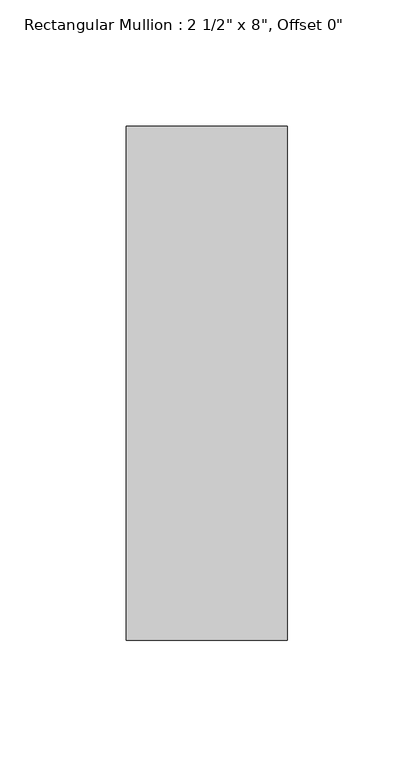
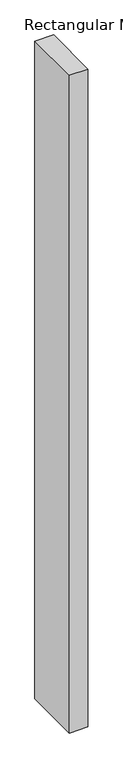
"""IFC4 building model written with IfcOpenShell, lengths in millimetres: member geometry."""

from ifc_helpers import new_model, si_unit, frame, origin, place, context, project, spatial, polyline, outline, extrude, source, transform, mapped, element, save


def member_511b35be(model_context):
    return source(origin(), model_context, "Body", "SweptSolid", [
        extrude(outline(polyline([(0.0, 101.6), (0.0, -101.6), (-63.5, -101.6), (-63.5, 101.6), (0.0, 101.6)])), frame((0.0, 0.0, -2368.55), z_axis=(0.0, 0.0, 1.0), x_axis=(1.0, 0.0, 0.0)), (0.0, 0.0, 1.0), 2368.55),
    ])


if __name__ == "__main__":
    model = new_model("IFC4")
    model_context = context("Model", 3, world=origin())
    ifc_project = project(units=[si_unit("LENGTHUNIT", "METRE", prefix="MILLI")], contexts=[model_context])
    site = spatial("IfcSite", under=ifc_project)
    building = spatial("IfcBuilding", under=site)
    placement = place(None, origin())
    member_shape = member_511b35be(model_context)
    element("IfcMember", 1, ObjectType="Rectangular Mullion : 2 1/2\" x 8\", Offset 0\"", at=placement, inside=building, context=model_context, shape_type="MappedRepresentation", body=[
        mapped(member_shape, transform((0.0, 0.0, 0.0), x_axis=(1.0, 0.0, 0.0), y_axis=(0.0, 1.0, 0.0), z_axis=(0.0, 0.0, 1.0))),
    ])
    save(model, "model.ifc")
